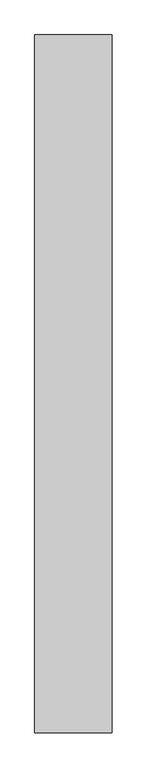
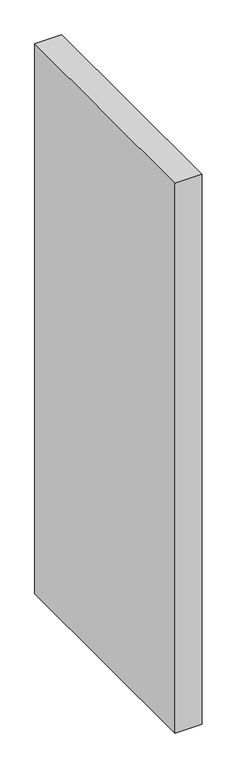
"""IFC4 building model written with IfcOpenShell, lengths in millimetres: proxy geometry."""

from ifc_helpers import new_model, si_unit, origin, origin_with_axes, place, context, project, spatial, polyline, outline, extrude, source, transform, mapped, element, save


def generic_models_fef5e902(model_context):
    return source(origin(), model_context, "Body", "SweptSolid", [
        extrude(outline(polyline([(200.0, -1800.0), (0.0, -1800.0), (0.0, 0.0), (200.0, 0.0), (200.0, -1800.0)])), origin_with_axes(), (0.0, 0.0, 1.0), 4300.0),
    ])


if __name__ == "__main__":
    model = new_model("IFC4")
    model_context = context("Model", 3, world=origin())
    ifc_project = project(units=[si_unit("LENGTHUNIT", "METRE", prefix="MILLI")], contexts=[model_context])
    site = spatial("IfcSite", under=ifc_project)
    building = spatial("IfcBuilding", under=site)
    placement = place(None, origin())
    generic_models_shape = generic_models_fef5e902(model_context)
    element("IfcBuildingElementProxy", 1, Name="Generic Models", at=placement, inside=building, context=model_context, shape_type="MappedRepresentation", body=[
        mapped(generic_models_shape, transform((0.0, 0.0, 0.0), x_axis=(1.0, 0.0, 0.0), y_axis=(0.0, 1.0, 0.0), z_axis=(0.0, 0.0, 1.0))),
    ])
    save(model, "model.ifc")
